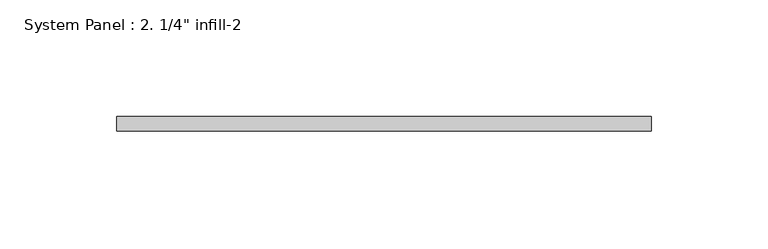
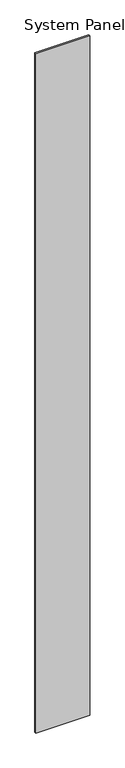
"""IFC4 building model written with IfcOpenShell, lengths in millimetres: plate geometry."""

from ifc_helpers import new_model, si_unit, origin, origin_with_axes, place, context, project, spatial, polyline, outline, extrude, source, transform, mapped, element, save


def plate_b817a8e8(model_context):
    return source(origin(), model_context, "Body", "SweptSolid", [
        extrude(outline(polyline([(114.7132195, 0.0), (-114.7132195, 0.0), (-114.7132195, 6.35), (114.7132195, 6.35), (114.7132195, 0.0)])), origin_with_axes(), (0.0, 0.0, 1.0), 3048.0),
    ])


if __name__ == "__main__":
    model = new_model("IFC4")
    model_context = context("Model", 3, world=origin())
    ifc_project = project(units=[si_unit("LENGTHUNIT", "METRE", prefix="MILLI")], contexts=[model_context])
    site = spatial("IfcSite", under=ifc_project)
    building = spatial("IfcBuilding", under=site)
    placement = place(None, origin())
    plate_shape = plate_b817a8e8(model_context)
    element("IfcPlate", 1, ObjectType="System Panel : 2. 1/4\" infill-2", at=placement, inside=building, context=model_context, shape_type="MappedRepresentation", body=[
        mapped(plate_shape, transform((0.0, 0.0, 0.0), x_axis=(1.0, 0.0, 0.0), y_axis=(0.0, 1.0, 0.0), z_axis=(0.0, 0.0, 1.0))),
    ])
    save(model, "model.ifc")
